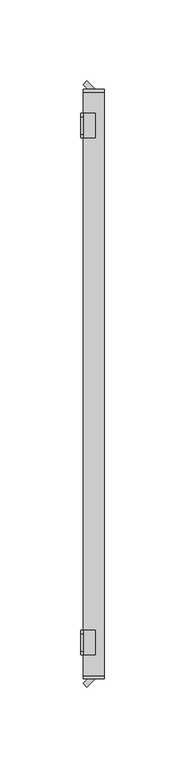
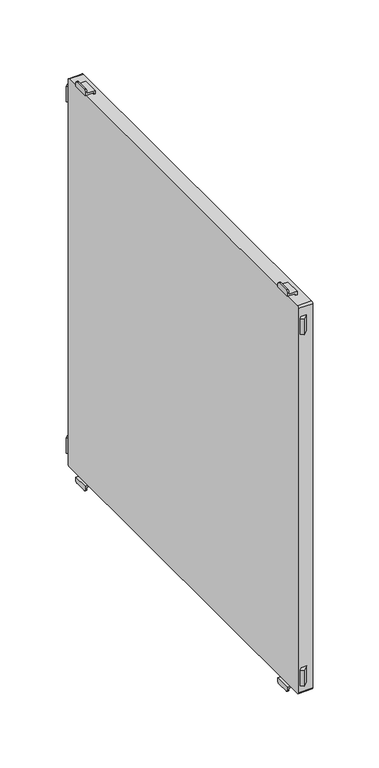
"""IFC4 building model written with IfcOpenShell, lengths in millimetres: furniture geometry."""

from ifc_helpers import new_model, si_unit, point, frame, frame_2d, origin, place, context, project, spatial, polyline, circle_curve, trimmed, segment, composite_curve, outline, extrude, source, transform, mapped, element, save
from ifc_brep_helpers import plane_surface, cylinder_surface, advanced_brep


def furniture_0d971085(model_context):
    return source(origin(), model_context, "Body", "SolidModel", [
        advanced_brep(
        [(-397.0, 152.5, 515.5), (-397.0, 154.5, 513.5), (-397.0, 165.5, 513.5), (-397.0, 167.5, 515.5), (-397.0, 167.5, 517.0), (-397.0, 152.5, 517.0), (-398.5, 152.5, 518.5), (-398.5, 167.5, 518.5), (-398.5, 167.5, 515.5), (-398.5, 165.5, 513.5), (-398.5, 154.5, 513.5), (-398.5, 152.5, 515.5), (-389.5011497, 152.5, 517.0), (-389.5011497, 152.5, 520.0), (-391.0011497, 152.5, 520.0), (-391.0011497, 152.5, 518.5), (-391.0011497, 167.5, 518.5), (-391.0011497, 167.5, 520.0), (-389.5011497, 167.5, 520.0), (-389.5011497, 167.5, 517.0)],
        [
            (0, 1, circle_curve(frame((-397.0, 154.5, 515.5), z_axis=(1.0, 0.0, 0.0), x_axis=(0.0, 1.0, 0.0)), 2.0)),
            (1, 2),
            (2, 3, circle_curve(frame((-397.0, 165.5, 515.5), z_axis=(1.0, 0.0, 0.0), x_axis=(0.0, 1.0, 0.0)), 2.0)),
            (3, 4),
            (4, 5),
            (5, 0),
            (6, 7),
            (7, 8),
            (8, 9, circle_curve(frame((-398.5, 165.5, 515.5), z_axis=(-1.0, 0.0, 0.0), x_axis=(0.0, 1.0, 0.0)), 2.0)),
            (9, 10),
            (10, 11, circle_curve(frame((-398.5, 154.5, 515.5), z_axis=(-1.0, 0.0, 0.0), x_axis=(0.0, 1.0, 0.0)), 2.0)),
            (11, 6),
            (11, 0),
            (5, 12),
            (12, 13),
            (13, 14),
            (14, 15),
            (15, 6),
            (10, 1),
            (9, 2),
            (8, 3),
            (7, 16),
            (16, 17),
            (17, 18),
            (18, 19),
            (19, 4),
            (15, 16),
            (12, 19),
            (18, 13),
            (17, 14),
        ],
        [
            plane_surface(frame((-397.0, 152.5, 517.0), z_axis=(1.0, 0.0, 0.0), x_axis=(0.0, 0.0, -1.0))),
            plane_surface(frame((-398.5, 152.5, 517.0), z_axis=(-1.0, 0.0, 0.0), x_axis=(0.0, 0.0, 1.0))),
            plane_surface(frame((-397.0, 152.5, 518.5), z_axis=(0.0, -1.0, 0.0), x_axis=(-1.0, 0.0, 0.0))),
            cylinder_surface(frame((-398.5, 154.5, 515.5), z_axis=(1.0, 0.0, 0.0), x_axis=(0.0, 1.0, 0.0)), 2.0),
            plane_surface(frame((-397.0, 154.5, 513.5), z_axis=(0.0, 0.0, -1.0), x_axis=(-1.0, 0.0, 0.0))),
            cylinder_surface(frame((-398.5, 165.5, 515.5), z_axis=(1.0, 0.0, 0.0), x_axis=(0.0, 1.0, 0.0)), 2.0),
            plane_surface(frame((-397.0, 167.5, 515.5), z_axis=(0.0, 1.0, 0.0), x_axis=(-1.0, 0.0, 0.0))),
            plane_surface(frame((-397.0, 167.5, 518.5), z_axis=(0.0, 0.0, 1.0), x_axis=(-1.0, 0.0, 0.0))),
            plane_surface(frame((-389.5011497, 152.5, 517.0), z_axis=(1.0, 0.0, 0.0), x_axis=(0.0, 1.0, 0.0))),
            plane_surface(frame((-389.5011497, 152.5, 520.0), z_axis=(0.0, 0.0, 1.0), x_axis=(0.0, 1.0, 0.0))),
            plane_surface(frame((-391.0011497, 152.5, 520.0), z_axis=(-1.0, 0.0, 0.0), x_axis=(0.0, 1.0, 0.0))),
            plane_surface(frame((-397.0, 152.5, 517.0), z_axis=(0.0, 0.0, -1.0), x_axis=(0.0, 1.0, 0.0))),
        ],
        [
            (0, [[1, 2, 3, 4, 5, 6]]),
            (1, [[7, 8, 9, 10, 11, 12]]),
            (2, [[-12, 13, -6, 14, 15, 16, 17, 18]]),
            (3, [[-1, -13, -11, 19]]),
            (4, [[-2, -19, -10, 20]]),
            (5, [[-3, -20, -9, 21]]),
            (6, [[-8, 22, 23, 24, 25, 26, -4, -21]]),
            (7, [[-22, -7, -18, 27]]),
            (8, [[-15, 28, -25, 29]]),
            (9, [[-16, -29, -24, 30]]),
            (10, [[-17, -30, -23, -27]]),
            (11, [[-14, -5, -26, -28]]),
        ],
    ),
        advanced_brep(
        [(-397.0, -167.5, 515.5), (-397.0, -165.5, 513.5), (-397.0, -154.5, 513.5), (-397.0, -152.5, 515.5), (-397.0, -152.5, 517.0), (-397.0, -167.5, 517.0), (-398.5, -152.5, 518.5), (-398.5, -152.5, 515.5), (-398.5, -154.5, 513.5), (-398.5, -165.5, 513.5), (-398.5, -167.5, 515.5), (-398.5, -167.5, 518.5), (-391.0011497, -167.5, 518.5), (-391.0011497, -152.5, 518.5), (-389.5011497, -167.5, 517.0), (-389.5011497, -167.5, 520.0), (-391.0011497, -167.5, 520.0), (-391.0011497, -152.5, 520.0), (-389.5011497, -152.5, 520.0), (-389.5011497, -152.5, 517.0)],
        [
            (0, 1, circle_curve(frame((-397.0, -165.5, 515.5), z_axis=(1.0, 0.0, 0.0), x_axis=(0.0, 1.0, 0.0)), 2.0)),
            (1, 2),
            (2, 3, circle_curve(frame((-397.0, -154.5, 515.5), z_axis=(1.0, 0.0, 0.0), x_axis=(0.0, 1.0, 0.0)), 2.0)),
            (3, 4),
            (4, 5),
            (5, 0),
            (6, 7),
            (7, 8, circle_curve(frame((-398.5, -154.5, 515.5), z_axis=(-1.0, 0.0, 0.0), x_axis=(0.0, 1.0, 0.0)), 2.0)),
            (8, 9),
            (9, 10, circle_curve(frame((-398.5, -165.5, 515.5), z_axis=(-1.0, 0.0, 0.0), x_axis=(0.0, 1.0, 0.0)), 2.0)),
            (10, 11),
            (11, 6),
            (11, 12),
            (12, 13),
            (13, 6),
            (10, 0),
            (5, 14),
            (14, 15),
            (15, 16),
            (16, 12),
            (9, 1),
            (8, 2),
            (7, 3),
            (13, 17),
            (17, 18),
            (18, 19),
            (19, 4),
            (18, 15),
            (14, 19),
            (17, 16),
        ],
        [
            plane_surface(frame((-397.0, 152.5, 517.0), z_axis=(1.0, 0.0, 0.0), x_axis=(0.0, 0.0, -1.0))),
            plane_surface(frame((-398.5, 152.5, 517.0), z_axis=(-1.0, 0.0, 0.0), x_axis=(0.0, 0.0, 1.0))),
            plane_surface(frame((-397.0, -152.5, 518.5), z_axis=(0.0, 0.0, 1.0), x_axis=(-1.0, 0.0, 0.0))),
            plane_surface(frame((-397.0, -167.5, 518.5), z_axis=(0.0, -1.0, 0.0), x_axis=(-1.0, 0.0, 0.0))),
            cylinder_surface(frame((-400.0, -165.5, 515.5), z_axis=(1.0, 0.0, 0.0), x_axis=(0.0, 1.0, 0.0)), 2.0),
            plane_surface(frame((-397.0, -165.5, 513.5), z_axis=(0.0, 0.0, -1.0), x_axis=(-1.0, 0.0, 0.0))),
            cylinder_surface(frame((-400.0, -154.5, 515.5), z_axis=(1.0, 0.0, 0.0), x_axis=(0.0, 1.0, 0.0)), 2.0),
            plane_surface(frame((-397.0, -152.5, 515.5), z_axis=(0.0, 1.0, 0.0), x_axis=(-1.0, 0.0, 0.0))),
            plane_surface(frame((-389.5011497, -152.5, 520.0), z_axis=(1.0, 0.0, 0.0), x_axis=(0.0, -1.0, 0.0))),
            plane_surface(frame((-391.0011497, -152.5, 520.0), z_axis=(0.0, 0.0, 1.0), x_axis=(0.0, -1.0, 0.0))),
            plane_surface(frame((-391.0011497, -152.5, 518.5), z_axis=(-1.0, 0.0, 0.0), x_axis=(0.0, -1.0, 0.0))),
            plane_surface(frame((-389.5011497, -152.5, 517.0), z_axis=(0.0, 0.0, -1.0), x_axis=(0.0, -1.0, 0.0))),
        ],
        [
            (0, [[1, 2, 3, 4, 5, 6]]),
            (1, [[7, 8, 9, 10, 11, 12]]),
            (2, [[-12, 13, 14, 15]]),
            (3, [[-11, 16, -6, 17, 18, 19, 20, -13]]),
            (4, [[-1, -16, -10, 21]]),
            (5, [[-2, -21, -9, 22]]),
            (6, [[-3, -22, -8, 23]]),
            (7, [[-7, -15, 24, 25, 26, 27, -4, -23]]),
            (8, [[-26, 28, -18, 29]]),
            (9, [[-25, 30, -19, -28]]),
            (10, [[-24, -14, -20, -30]]),
            (11, [[-27, -29, -17, -5]]),
        ],
    ),
        advanced_brep(
        [(-397.0, 167.5, 899.5), (-397.0, 165.5, 901.5), (-397.0, 154.5, 901.5), (-397.0, 152.5, 899.5), (-397.0, 152.5, 898.0), (-397.0, 167.5, 898.0), (-398.5, 152.5, 896.5), (-398.5, 152.5, 899.5), (-398.5, 154.5, 901.5), (-398.5, 165.5, 901.5), (-398.5, 167.5, 899.5), (-398.5, 167.5, 896.5), (-389.5011497, 152.5, 898.0), (-391.0011497, 152.5, 896.5), (-391.0011497, 152.5, 895.0), (-389.5011497, 152.5, 895.0), (-389.5011497, 167.5, 898.0), (-389.5011497, 167.5, 895.0), (-391.0011497, 167.5, 895.0), (-391.0011497, 167.5, 896.5)],
        [
            (0, 1, circle_curve(frame((-397.0, 165.5, 899.5), z_axis=(1.0, 0.0, 0.0), x_axis=(0.0, 1.0, 0.0)), 2.0)),
            (1, 2),
            (2, 3, circle_curve(frame((-397.0, 154.5, 899.5), z_axis=(1.0, 0.0, 0.0), x_axis=(0.0, 1.0, 0.0)), 2.0)),
            (3, 4),
            (4, 5),
            (5, 0),
            (6, 7),
            (7, 8, circle_curve(frame((-398.5, 154.5, 899.5), z_axis=(-1.0, 0.0, 0.0), x_axis=(0.0, 1.0, 0.0)), 2.0)),
            (8, 9),
            (9, 10, circle_curve(frame((-398.5, 165.5, 899.5), z_axis=(-1.0, 0.0, 0.0), x_axis=(0.0, 1.0, 0.0)), 2.0)),
            (10, 11),
            (11, 6),
            (12, 4),
            (3, 7),
            (6, 13),
            (13, 14),
            (14, 15),
            (15, 12),
            (16, 17),
            (17, 18),
            (18, 19),
            (19, 11),
            (10, 0),
            (5, 16),
            (19, 13),
            (9, 1),
            (8, 2),
            (12, 16),
            (18, 14),
            (17, 15),
        ],
        [
            plane_surface(frame((-397.0, 152.5, 517.0), z_axis=(1.0, 0.0, 0.0), x_axis=(0.0, 0.0, -1.0))),
            plane_surface(frame((-398.5, 152.5, 517.0), z_axis=(-1.0, 0.0, 0.0), x_axis=(0.0, 0.0, 1.0))),
            plane_surface(frame((-397.0, 152.5, 518.5), z_axis=(0.0, -1.0, 0.0), x_axis=(-1.0, 0.0, 0.0))),
            plane_surface(frame((-397.0, 167.5, 515.5), z_axis=(0.0, 1.0, 0.0), x_axis=(-1.0, 0.0, 0.0))),
            plane_surface(frame((-397.0, 152.5, 896.5), z_axis=(0.0, 0.0, -1.0), x_axis=(-1.0, 0.0, 0.0))),
            cylinder_surface(frame((-400.0, 165.5, 899.5), z_axis=(1.0, 0.0, 0.0), x_axis=(0.0, 1.0, 0.0)), 2.0),
            plane_surface(frame((-397.0, 165.5, 901.5), z_axis=(0.0, 0.0, 1.0), x_axis=(-1.0, 0.0, 0.0))),
            cylinder_surface(frame((-400.0, 154.5, 899.5), z_axis=(1.0, 0.0, 0.0), x_axis=(0.0, 1.0, 0.0)), 2.0),
            plane_surface(frame((-389.5011497, 152.5, 898.0), z_axis=(0.0, 0.0, 1.0), x_axis=(0.0, 1.0, 0.0))),
            plane_surface(frame((-391.0011497, 152.5, 896.5), z_axis=(-1.0, 0.0, 0.0), x_axis=(0.0, 1.0, 0.0))),
            plane_surface(frame((-391.0011497, 152.5, 895.0), z_axis=(0.0, 0.0, -1.0), x_axis=(0.0, 1.0, 0.0))),
            plane_surface(frame((-389.5011497, 152.5, 895.0), z_axis=(1.0, 0.0, 0.0), x_axis=(0.0, 1.0, 0.0))),
        ],
        [
            (0, [[1, 2, 3, 4, 5, 6]]),
            (1, [[7, 8, 9, 10, 11, 12]]),
            (2, [[13, -4, 14, -7, 15, 16, 17, 18]]),
            (3, [[19, 20, 21, 22, -11, 23, -6, 24]]),
            (4, [[-15, -12, -22, 25]]),
            (5, [[-1, -23, -10, 26]]),
            (6, [[-2, -26, -9, 27]]),
            (7, [[-3, -27, -8, -14]]),
            (8, [[-13, 28, -24, -5]]),
            (9, [[-16, -25, -21, 29]]),
            (10, [[-17, -29, -20, 30]]),
            (11, [[-18, -30, -19, -28]]),
        ],
    ),
        advanced_brep(
        [(-397.0, -152.5, 899.5), (-397.0, -154.5, 901.5), (-397.0, -165.5, 901.5), (-397.0, -167.5, 899.5), (-397.0, -167.5, 898.0), (-397.0, -152.5, 898.0), (-398.5, -152.5, 896.5), (-398.5, -167.5, 896.5), (-398.5, -167.5, 899.5), (-398.5, -165.5, 901.5), (-398.5, -154.5, 901.5), (-398.5, -152.5, 899.5), (-391.0011497, -167.5, 896.5), (-391.0011497, -167.5, 895.0), (-389.5011497, -167.5, 895.0), (-389.5011497, -167.5, 898.0), (-389.5011497, -152.5, 898.0), (-389.5011497, -152.5, 895.0), (-391.0011497, -152.5, 895.0), (-391.0011497, -152.5, 896.5)],
        [
            (0, 1, circle_curve(frame((-397.0, -154.5, 899.5), z_axis=(1.0, 0.0, 0.0), x_axis=(0.0, 1.0, 0.0)), 2.0)),
            (1, 2),
            (2, 3, circle_curve(frame((-397.0, -165.5, 899.5), z_axis=(1.0, 0.0, 0.0), x_axis=(0.0, 1.0, 0.0)), 2.0)),
            (3, 4),
            (4, 5),
            (5, 0),
            (6, 7),
            (7, 8),
            (8, 9, circle_curve(frame((-398.5, -165.5, 899.5), z_axis=(-1.0, 0.0, 0.0), x_axis=(0.0, 1.0, 0.0)), 2.0)),
            (9, 10),
            (10, 11, circle_curve(frame((-398.5, -154.5, 899.5), z_axis=(-1.0, 0.0, 0.0), x_axis=(0.0, 1.0, 0.0)), 2.0)),
            (11, 6),
            (7, 12),
            (12, 13),
            (13, 14),
            (14, 15),
            (15, 4),
            (3, 8),
            (11, 0),
            (5, 16),
            (16, 17),
            (17, 18),
            (18, 19),
            (19, 6),
            (10, 1),
            (9, 2),
            (19, 12),
            (15, 16),
            (18, 13),
            (17, 14),
        ],
        [
            plane_surface(frame((-397.0, 152.5, 517.0), z_axis=(1.0, 0.0, 0.0), x_axis=(0.0, 0.0, -1.0))),
            plane_surface(frame((-398.5, 152.5, 517.0), z_axis=(-1.0, 0.0, 0.0), x_axis=(0.0, 0.0, 1.0))),
            plane_surface(frame((-397.0, -167.5, 518.5), z_axis=(0.0, -1.0, 0.0), x_axis=(-1.0, 0.0, 0.0))),
            plane_surface(frame((-397.0, -152.5, 515.5), z_axis=(0.0, 1.0, 0.0), x_axis=(-1.0, 0.0, 0.0))),
            cylinder_surface(frame((-400.0, -154.5, 899.5), z_axis=(1.0, 0.0, 0.0), x_axis=(0.0, 1.0, 0.0)), 2.0),
            plane_surface(frame((-397.0, -154.5, 901.5), z_axis=(0.0, 0.0, 1.0), x_axis=(-1.0, 0.0, 0.0))),
            cylinder_surface(frame((-400.0, -165.5, 899.5), z_axis=(1.0, 0.0, 0.0), x_axis=(0.0, 1.0, 0.0)), 2.0),
            plane_surface(frame((-397.0, -167.5, 896.5), z_axis=(0.0, 0.0, -1.0), x_axis=(-1.0, 0.0, 0.0))),
            plane_surface(frame((-397.0, -152.5, 898.0), z_axis=(0.0, 0.0, 1.0), x_axis=(0.0, -1.0, 0.0))),
            plane_surface(frame((-391.0011497, -152.5, 895.0), z_axis=(-1.0, 0.0, 0.0), x_axis=(0.0, -1.0, 0.0))),
            plane_surface(frame((-389.5011497, -152.5, 895.0), z_axis=(0.0, 0.0, -1.0), x_axis=(0.0, -1.0, 0.0))),
            plane_surface(frame((-389.5011497, -152.5, 898.0), z_axis=(1.0, 0.0, 0.0), x_axis=(0.0, -1.0, 0.0))),
        ],
        [
            (0, [[1, 2, 3, 4, 5, 6]]),
            (1, [[7, 8, 9, 10, 11, 12]]),
            (2, [[-8, 13, 14, 15, 16, 17, -4, 18]]),
            (3, [[-12, 19, -6, 20, 21, 22, 23, 24]]),
            (4, [[-1, -19, -11, 25]]),
            (5, [[-2, -25, -10, 26]]),
            (6, [[-3, -26, -9, -18]]),
            (7, [[-7, -24, 27, -13]]),
            (8, [[-20, -5, -17, 28]]),
            (9, [[-23, 29, -14, -27]]),
            (10, [[-22, 30, -15, -29]]),
            (11, [[-21, -28, -16, -30]]),
        ],
    ),
        extrude(outline(polyline([(-397.0, -185.3223305), (-394.1776695, -182.5), (-389.5011497, -182.5), (-394.6617401, -187.6605904), (-397.0, -185.3223305)])), frame((0.0, 0.0, 530.0), z_axis=(0.0, 0.0, 1.0), x_axis=(1.0, 0.0, 0.0)), (0.0, 0.0, 1.0), 15.0),
        extrude(outline(polyline([(-397.0, 185.3223305), (-394.6617401, 187.6605904), (-389.5011497, 182.5), (-394.1776695, 182.5), (-397.0, 185.3223305)])), frame((0.0, 0.0, 530.0), z_axis=(0.0, 0.0, 1.0), x_axis=(1.0, 0.0, 0.0)), (0.0, 0.0, 1.0), 15.0),
        extrude(outline(composite_curve([segment(polyline([(182.5, 893.2), (182.5, 521.8)]), True, "CONTINUOUS"), segment(trimmed(circle_curve(frame_2d((180.7, 521.8)), 1.8), [point((182.5, 521.8))], [point((180.7, 520.0))], False, "CARTESIAN"), True, "CONTINUOUS"), segment(polyline([(180.7, 520.0), (-180.7, 520.0)]), True, "CONTINUOUS"), segment(trimmed(circle_curve(frame_2d((-180.7, 521.8)), 1.8), [point((-180.7, 520.0))], [point((-182.5, 521.8))], False, "CARTESIAN"), True, "CONTINUOUS"), segment(polyline([(-182.5, 521.8), (-182.5, 893.2)]), True, "CONTINUOUS"), segment(trimmed(circle_curve(frame_2d((-180.7, 893.2)), 1.8), [point((-182.5, 893.2))], [point((-180.7, 895.0))], False, "CARTESIAN"), True, "CONTINUOUS"), segment(polyline([(-180.7, 895.0), (180.7, 895.0)]), True, "CONTINUOUS"), segment(trimmed(circle_curve(frame_2d((180.7, 893.2)), 1.8), [point((180.7, 895.0))], [point((182.5, 893.2))], False, "CARTESIAN"), True, "CONTINUOUS")], self_intersect=False)), frame((-397.0, 0.0, 0.0), z_axis=(1.0, 0.0, 0.0), x_axis=(0.0, 1.0, 0.0)), (0.0, 0.0, 1.0), 13.000205),
        extrude(outline(polyline([(-397.0, -185.3223305), (-394.1776695, -182.5), (-389.5011497, -182.5), (-394.6617401, -187.6605904), (-397.0, -185.3223305)])), frame((0.0, 0.0, 870.0), z_axis=(0.0, 0.0, 1.0), x_axis=(1.0, 0.0, 0.0)), (0.0, 0.0, 1.0), 15.0),
        extrude(outline(polyline([(-397.0, 185.3223305), (-394.6617401, 187.6605904), (-389.5011497, 182.5), (-394.1776695, 182.5), (-397.0, 185.3223305)])), frame((0.0, 0.0, 870.0), z_axis=(0.0, 0.0, 1.0), x_axis=(1.0, 0.0, 0.0)), (0.0, 0.0, 1.0), 15.0),
    ])


if __name__ == "__main__":
    model = new_model("IFC4")
    model_context = context("Model", 3, world=origin())
    ifc_project = project(units=[si_unit("LENGTHUNIT", "METRE", prefix="MILLI")], contexts=[model_context])
    site = spatial("IfcSite", under=ifc_project)
    building = spatial("IfcBuilding", under=site)
    placement = place(None, origin())
    furniture_shape = furniture_0d971085(model_context)
    element("IfcFurniture", 1, at=placement, inside=building, context=model_context, shape_type="MappedRepresentation", body=[
        mapped(furniture_shape, transform((0.0, 0.0, 0.0), x_axis=(1.0, 0.0, 0.0), y_axis=(0.0, 1.0, 0.0), z_axis=(0.0, 0.0, 1.0))),
    ])
    save(model, "model.ifc")
